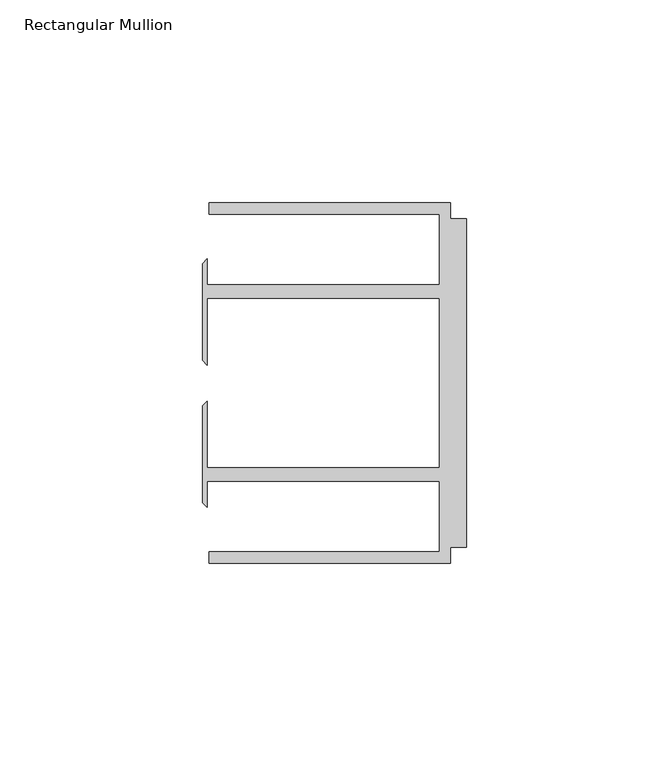
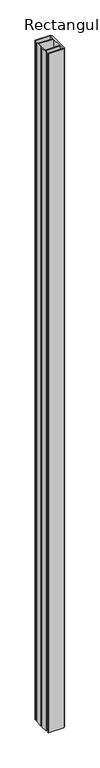
"""IFC4 building model written with IfcOpenShell, lengths in millimetres: member geometry, Rectangular Mullion."""

from ifc_helpers import new_model, si_unit, frame, origin, place, context, project, spatial, polyline, outline, extrude, source, transform, mapped, element, save


def rectangular_mullion_63caed64(model_context):
    return source(origin(), model_context, "Body", "SweptSolid", [
        extrude(outline(polyline([(-4.0000001, 44.45), (-4.0000001, 40.4500013), (0.0, 40.4500013), (0.0, -40.4500013), (-4.0000001, -40.4500013), (-4.0000001, -44.45), (-63.5, -44.45), (-63.5, -41.6500013), (-6.6000002, -41.6500013), (-6.6000002, -24.2500008), (-63.9424102, -24.2500008), (-63.9424102, -30.6159585), (-65.0875, -29.4708687), (-65.0875, -5.5846059), (-63.9424102, -4.4395161), (-63.9424102, -20.9500007), (-6.6000002, -20.9500007), (-6.6000002, 20.9500007), (-63.9424102, 20.9500007), (-63.9424102, 4.4395161), (-65.0875, 5.5846059), (-65.0875, 29.4708687), (-63.9424102, 30.6159585), (-63.9424102, 24.2500008), (-6.6000002, 24.2500008), (-6.6000002, 41.6500013), (-63.5, 41.6500013), (-63.5, 44.45), (-4.0000001, 44.45)])), frame((0.0, 0.0, -2743.2), z_axis=(0.0, 0.0, 1.0), x_axis=(1.0, 0.0, 0.0)), (0.0, 0.0, 1.0), 2743.2),
    ])


if __name__ == "__main__":
    model = new_model("IFC4")
    model_context = context("Model", 3, world=origin())
    ifc_project = project(units=[si_unit("LENGTHUNIT", "METRE", prefix="MILLI")], contexts=[model_context])
    site = spatial("IfcSite", under=ifc_project)
    building = spatial("IfcBuilding", under=site)
    placement = place(None, origin())
    rectangular_mullion_shape = rectangular_mullion_63caed64(model_context)
    element("IfcMember", 1, ObjectType="Rectangular Mullion", at=placement, inside=building, context=model_context, shape_type="MappedRepresentation", body=[
        mapped(rectangular_mullion_shape, transform((0.0, 0.0, 0.0), x_axis=(1.0, 0.0, 0.0), y_axis=(0.0, 1.0, 0.0), z_axis=(0.0, 0.0, 1.0))),
    ])
    save(model, "model.ifc")
